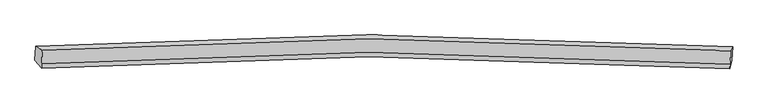
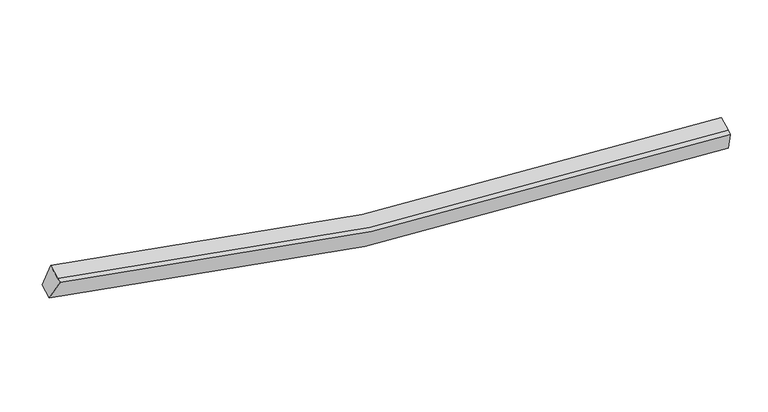
"""IFC4 building model written with IfcOpenShell, lengths in millimetres: proxy geometry."""

from ifc_helpers import new_model, si_unit, frame, origin, place, context, project, spatial, source, transform, mapped, element, save
from ifc_brep_helpers import plane_surface, spline_curve, spline_surface, advanced_brep


def generic_models_a630ee15(model_context):
    return source(origin(), model_context, "Body", "AdvancedBrep", [
        advanced_brep(
        [(-10557.3526192, -1854.4154161, 4438.2366486), (-10340.4559402, -1970.9675221, 5109.8469155), (11677.5991687, -1983.1057182, 2554.305439), (11738.0261297, -1866.6105321, 1851.1224135), (-10360.0113655, -2403.9289835, 4938.8597167), (11658.0437434, -2416.0671795, 2383.3182402), (-10366.7269324, -2552.6131268, 4880.1406679), (11651.3281765, -2564.7513228, 2324.5991914), (-10577.4422862, -2299.2051068, 4262.5781892), (11717.9364627, -2311.4002228, 1675.4639541)],
        [
            (0, 1),
            (1, 2, spline_curve(3, [(-10340.4559402, -1970.9675221, 5109.8469155), (-6887.84682043, -1735.782829585, 4137.111480007), (-3402.975422097, -1614.320984118, 3434.959788943), (3930.650589421, -1598.184288037, 2535.091261152), (7785.130895858, -1723.692199193, 2385.395792579), (11677.5991687, -1983.1057182, 2554.305439)], [4, 2, 4], [0.0, 35.228777798342286, 73.45603130054225])),
            (2, 3),
            (3, 0, spline_curve(3, [(11738.0261297, -1866.6105321, 1851.1224135), (7795.63334794, -1603.587713048, 1678.783312245), (3892.174211183, -1476.343680513, 1829.684295912), (-3533.750478961, -1492.743733606, 2740.77567857), (-7062.084258424, -1615.922728433, 3452.246105979), (-10557.3526192, -1854.4154161, 4438.2366486)], [4, 2, 4], [0.0, 38.227253502199964, 73.45603130054225])),
            (1, 4),
            (4, 5, spline_curve(3, [(-10360.0113655, -2403.9289835, 4938.8597167), (-6907.402244857, -2168.744290016, 3966.124281448), (-3422.530847569, -2047.282445328, 3263.972590583), (3911.095164308, -2031.145749435, 2364.104061666), (7765.575470208, -2156.653661047, 2214.408592725), (11658.0437434, -2416.0671795, 2383.3182402)], [4, 2, 4], [0.0, 35.008105204064, 72.99590370016776])),
            (5, 2),
            (4, 6),
            (6, 7, spline_curve(3, [(-10366.7269324, -2552.6131268, 4880.1406679), (-6914.117811757, -2317.428433316, 3907.405232648), (-3429.246414469, -2195.966588728, 3205.253541883), (3904.379597408, -2179.829892835, 2305.385012966), (7758.859903308, -2305.337804347, 2155.689543925), (11651.3281765, -2564.7513228, 2324.5991914)], [4, 2, 4], [0.0, 35.008105204064, 72.99590370016776])),
            (7, 5),
            (6, 8),
            (8, 9, spline_curve(3, [(-10577.4422862, -2299.2051068, 4262.5781892), (-7082.173925424, -2060.712419133, 3276.587646579), (-3553.840145961, -1937.533424306, 2565.11721917), (3872.084544183, -1921.133371213, 1654.025836512), (7775.54368094, -2048.377403748, 1503.124852845), (11717.9364627, -2311.4002228, 1675.4639541)], [4, 2, 4], [0.0, 35.228777798342286, 73.45603130054225])),
            (9, 7),
            (8, 0),
            (3, 9),
        ],
        [
            spline_surface(3, 3, [[(-10557.3526192, -1854.4154161, 4438.2366486), (-7062.08425784, -1615.922728828, 3452.246105924), (-3533.750478887, -1492.743734177, 2740.775678214), (3892.174211103, -1476.343679894, 1829.684296298), (7795.63334847, -1603.587713203, 1678.783312318), (11738.0261297, -1866.6105321, 1851.1224135)], [(-10485.053726201, -1893.266118111, 4662.106737569), (-7004.00511185, -1655.876095562, 3680.534563844), (-3490.158793461, -1533.269484, 2972.170381952), (3904.999670741, -1516.957216066, 2064.819951053), (7792.132530897, -1643.622541842, 1914.320805548), (11717.883809374, -1905.44226078, 2085.516755347)], [(-10412.754833199, -1932.116820089, 4885.976826531), (-6945.925965858, -1695.829462265, 3908.823021757), (-3446.567108055, -1573.79523389, 3203.56508572), (3917.825130361, -1557.570752304, 2299.955605838), (7788.631713303, -1683.657370542, 2149.858298736), (11697.741489026, -1944.27398952, 2319.911097153)], [(-10340.4559402, -1970.9675221, 5109.8469155), (-6887.846819868, -1735.782828999, 4137.111479677), (-3402.975422629, -1614.320983713, 3434.959789458), (3930.650589999, -1598.184288476, 2535.091260593), (7785.130895731, -1723.692199181, 2385.395791966), (11677.5991687, -1983.1057182, 2554.305439)]], [4, 4], [4, 2, 4], [0.0, 2.3468353173412493], [0.0, 35.228777798342286, 73.45603130054225]),
            spline_surface(3, 3, [[(-10340.4559402, -1970.9675221, 5109.8469155), (-6887.846819868, -1735.782828999, 4137.111479677), (-3402.975422629, -1614.320983713, 3434.959789458), (3930.650589999, -1598.184288476, 2535.091260593), (7785.130895731, -1723.692199181, 2385.395791966), (11677.5991687, -1983.1057182, 2554.305439)], [(-10346.974415295, -2115.288009229, 5052.851182558), (-6894.365294963, -1880.103316128, 4080.115746735), (-3409.493897724, -1758.641470843, 3377.964056516), (3924.132114904, -1742.504775605, 2478.095527651), (7778.612420636, -1868.01268631, 2328.400059024), (11671.080693605, -2127.426205329, 2497.309706058)], [(-10353.492890405, -2259.608496371, 4995.855449642), (-6900.883770073, -2024.423803269, 4023.120013819), (-3416.012372835, -1902.961957884, 3320.9683235), (3917.613639794, -1886.825262647, 2421.099794635), (7772.093945526, -2012.333173351, 2271.404326108), (11664.562218495, -2271.746692371, 2440.313973142)], [(-10360.0113655, -2403.9289835, 4938.8597167), (-6907.402245168, -2168.744290399, 3966.124280877), (-3422.530847929, -2047.282445013, 3263.972590558), (3911.095164699, -2031.145749776, 2364.104061693), (7765.575470431, -2156.653660481, 2214.408593166), (11658.0437434, -2416.0671795, 2383.3182402)]], [4, 4], [4, 2, 4], [0.0, 1.5285850436308475], [0.0, 35.008105204064, 72.99590370016776]),
            spline_surface(3, 3, [[(-10360.0113655, -2403.9289835, 4938.8597167), (-6907.402245168, -2168.744290399, 3966.124280877), (-3422.530847929, -2047.282445013, 3263.972590558), (3911.095164699, -2031.145749776, 2364.104061693), (7765.575470431, -2156.653660481, 2214.408593166), (11658.0437434, -2416.0671795, 2383.3182402)], [(-10362.249887797, -2453.490364602, 4919.286700438), (-6909.640767465, -2218.305671501, 3946.551264615), (-3424.769370227, -2096.843826116, 3244.399574296), (3908.856642402, -2080.707130878, 2344.531045431), (7763.336948133, -2206.215041583, 2194.835576904), (11655.805221103, -2465.628560602, 2363.745223938)], [(-10364.488410103, -2503.051745698, 4899.713684162), (-6911.879289771, -2267.867052596, 3926.978248339), (-3427.007892532, -2146.405207311, 3224.82655812), (3906.618120097, -2130.268512074, 2324.958029255), (7761.098425828, -2255.776422678, 2175.262560628), (11653.566698797, -2515.189941698, 2344.172207662)], [(-10366.7269324, -2552.6131268, 4880.1406679), (-6914.117812068, -2317.428433699, 3907.405232077), (-3429.246414829, -2195.966588413, 3205.253541858), (3904.379597799, -2179.829893176, 2305.385012993), (7758.859903531, -2305.337803781, 2155.689544366), (11651.3281765, -2564.7513228, 2324.5991914)]], [4, 4], [4, 2, 4], [0.0, 0.5249343832020971], [0.0, 35.008105204064, 72.99590370016776]),
            spline_surface(3, 3, [[(-10366.7269324, -2552.6131268, 4880.1406679), (-6914.117812068, -2317.428433699, 3907.405232077), (-3429.246414829, -2195.966588413, 3205.253541858), (3904.379597799, -2179.829893176, 2305.385012993), (7758.859903531, -2305.337803781, 2155.689544366), (11651.3281765, -2564.7513228, 2324.5991914)], [(-10436.965383659, -2468.143786786, 4674.286508343), (-6970.136516317, -2231.856428961, 3697.132703569), (-3470.777658515, -2109.822200587, 2991.874767532), (3893.614579901, -2093.597719001, 2088.26528765), (7764.421162843, -2219.684337138, 1938.167980548), (11673.530938566, -2480.300956117, 2108.220778964)], [(-10507.203834941, -2383.674446814, 4468.432348757), (-7026.155220591, -2146.284424266, 3486.860175032), (-3512.308902202, -2023.677812703, 2778.495993141), (3882.849562001, -2007.365544769, 1871.145562241), (7769.982422157, -2134.030870546, 1720.646416736), (11695.733700634, -2395.850589483, 1891.842366536)], [(-10577.4422862, -2299.2051068, 4262.5781892), (-7082.17392484, -2060.712419528, 3276.587646524), (-3553.840145887, -1937.533424877, 2565.117218814), (3872.084544103, -1921.133370594, 1654.025836898), (7775.54368147, -2048.377403903, 1503.124852918), (11717.9364627, -2311.4002228, 1675.4639541)]], [4, 4], [4, 2, 4], [0.0, 2.2965579648482044], [0.0, 35.228777798342286, 73.45603130054225]),
            spline_surface(3, 3, [[(-10577.4422862, -2299.2051068, 4262.5781892), (-7082.17392484, -2060.712419528, 3276.587646524), (-3553.840145887, -1937.533424877, 2565.117218814), (3872.084544103, -1921.133370594, 1654.025836898), (7775.54368147, -2048.377403903, 1503.124852918), (11717.9364627, -2311.4002228, 1675.4639541)], [(-10570.745730548, -2150.941876572, 4321.131008992), (-7075.477369188, -1912.4491893, 3335.140466316), (-3547.143590235, -1789.270194649, 2623.670038606), (3878.781099754, -1772.870140366, 1712.57865669), (7782.240237121, -1900.114173675, 1561.67767271), (11724.633018352, -2163.136992572, 1734.016773892)], [(-10564.049174852, -2002.678646328, 4379.683828808), (-7068.780813492, -1764.185959056, 3393.693286132), (-3540.447034539, -1641.006964405, 2682.222858422), (3885.477655451, -1624.606910123, 1771.131476506), (7788.936792818, -1751.850943432, 1620.230492526), (11731.329574048, -2014.873762328, 1792.569593708)], [(-10557.3526192, -1854.4154161, 4438.2366486), (-7062.08425784, -1615.922728828, 3452.246105924), (-3533.750478887, -1492.743734177, 2740.775678214), (3892.174211103, -1476.343679894, 1829.684296298), (7795.63334847, -1603.587713203, 1678.783312318), (11738.0261297, -1866.6105321, 1851.1224135)]], [4, 4], [4, 2, 4], [0.0, 1.5703450061395263], [0.0, 35.44945065083012, 73.91615943931319]),
            plane_surface(frame((11696.2224844, -2181.466949, 2101.3727495), z_axis=(0.9945772522612343, -0.07384362781073417, 0.07323392599228187), x_axis=(0.09515469456972184, 0.36193014292890413, -0.9273360532950318))),
            plane_surface(frame((-10460.4944445, -2169.300293, 4672.7006053), z_axis=(-0.9526930890301382, -0.07344395538457893, 0.29492687827948333), x_axis=(-0.04197229307336228, -0.9292758956688859, -0.3669940549149995))),
        ],
        [
            (0, [[1, 2, 3, 4]]),
            (1, [[5, 6, 7, -2]]),
            (2, [[8, 9, 10, -6]]),
            (3, [[11, 12, 13, -9]]),
            (4, [[14, -4, 15, -12]]),
            (5, [[-13, -15, -3, -7, -10]]),
            (6, [[-14, -11, -8, -5, -1]]),
        ],
    ),
    ])


if __name__ == "__main__":
    model = new_model("IFC4")
    model_context = context("Model", 3, world=origin())
    ifc_project = project(units=[si_unit("LENGTHUNIT", "METRE", prefix="MILLI")], contexts=[model_context])
    site = spatial("IfcSite", under=ifc_project)
    building = spatial("IfcBuilding", under=site)
    placement = place(None, origin())
    generic_models_shape = generic_models_a630ee15(model_context)
    element("IfcBuildingElementProxy", 1, Name="Generic Models", at=placement, inside=building, context=model_context, shape_type="MappedRepresentation", body=[
        mapped(generic_models_shape, transform((0.0, 0.0, 0.0), x_axis=(1.0, 0.0, 0.0), y_axis=(0.0, 1.0, 0.0), z_axis=(0.0, 0.0, 1.0))),
    ])
    save(model, "model.ifc")
